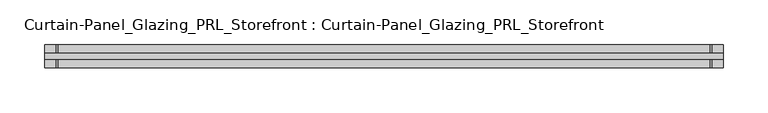
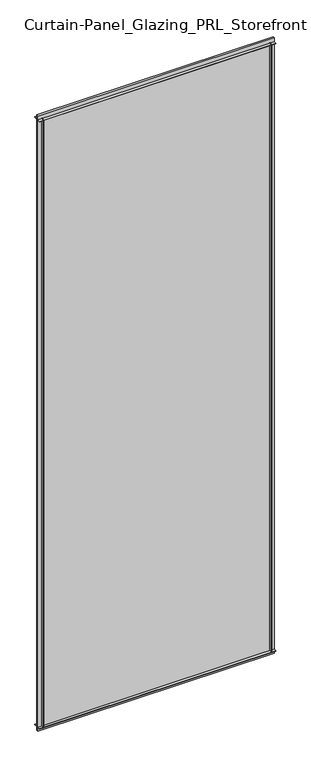
"""IFC4 building model written with IfcOpenShell, lengths in millimetres: plate geometry, Curtain-Panel_Glazing_PRL_Storefront : Curtain-Panel_Glazing_PRL_Storefront."""

from ifc_helpers import new_model, si_unit, frame, origin, origin_with_axes, place, context, project, spatial, polyline, outline, extrude, source, transform, mapped, element, save


def curtain_panel_glazing_prl_storefront_curtain_panel_glazing_ebd264bb(model_context):
    return source(origin(), model_context, "Body", "SweptSolid", [
        extrude(outline(polyline([(346.6041667, -12.7), (345.0166667, -12.7), (345.0166667, -3.175), (346.6041667, -3.175), (346.6041667, -12.7)])), frame((0.0, 0.0, 12.7), z_axis=(0.0, 0.0, 1.0), x_axis=(1.0, 0.0, 0.0)), (0.0, 0.0, 1.0), 2056.60625),
        extrude(outline(polyline([(346.6041667, 12.7), (346.6041667, 3.175), (345.0166667, 3.175), (345.0166667, 12.7), (346.6041667, 12.7)])), frame((0.0, 0.0, 12.7), z_axis=(0.0, 0.0, 1.0), x_axis=(1.0, 0.0, 0.0)), (0.0, 0.0, 1.0), 2056.60625),
        extrude(outline(polyline([(-384.7041667, -12.7), (-384.7041667, -3.175), (-383.1166667, -3.175), (-383.1166667, -12.7), (-384.7041667, -12.7)])), frame((0.0, 0.0, 12.7), z_axis=(0.0, 0.0, 1.0), x_axis=(1.0, 0.0, 0.0)), (0.0, 0.0, 1.0), 2056.60625),
        extrude(outline(polyline([(-384.7041667, 12.7), (-383.1166667, 12.7), (-383.1166667, 3.175), (-384.7041667, 3.175), (-384.7041667, 12.7)])), frame((0.0, 0.0, 12.7), z_axis=(0.0, 0.0, 1.0), x_axis=(1.0, 0.0, 0.0)), (0.0, 0.0, 1.0), 2056.60625),
        extrude(outline(polyline([(359.3041667, 3.175), (359.3041667, -3.175), (-397.4041667, -3.175), (-397.4041667, 3.175), (359.3041667, 3.175)])), origin_with_axes(), (0.0, 0.0, 1.0), 2082.00625),
        extrude(outline(polyline([(-397.4041667, -12.7), (-397.4041667, -3.175), (359.3041667, -3.175), (359.3041667, -12.7), (-397.4041667, -12.7)])), frame((0.0, 0.0, 2067.71875), z_axis=(0.0, 0.0, 1.0), x_axis=(1.0, 0.0, 0.0)), (0.0, 0.0, 1.0), 1.5875),
        extrude(outline(polyline([(-397.4041667, 12.7), (359.3041667, 12.7), (359.3041667, 3.175), (-397.4041667, 3.175), (-397.4041667, 12.7)])), frame((0.0, 0.0, 2067.71875), z_axis=(0.0, 0.0, 1.0), x_axis=(1.0, 0.0, 0.0)), (0.0, 0.0, 1.0), 1.5875),
        extrude(outline(polyline([(-397.4041667, -12.7), (-397.4041667, -3.175), (359.3041667, -3.175), (359.3041667, -12.7), (-397.4041667, -12.7)])), frame((0.0, 0.0, 12.7), z_axis=(0.0, 0.0, 1.0), x_axis=(1.0, 0.0, 0.0)), (0.0, 0.0, 1.0), 1.5875),
        extrude(outline(polyline([(-397.4041667, 12.7), (359.3041667, 12.7), (359.3041667, 3.175), (-397.4041667, 3.175), (-397.4041667, 12.7)])), frame((0.0, 0.0, 12.7), z_axis=(0.0, 0.0, 1.0), x_axis=(1.0, 0.0, 0.0)), (0.0, 0.0, 1.0), 1.5875),
    ])


if __name__ == "__main__":
    model = new_model("IFC4")
    model_context = context("Model", 3, world=origin())
    ifc_project = project(units=[si_unit("LENGTHUNIT", "METRE", prefix="MILLI")], contexts=[model_context])
    site = spatial("IfcSite", under=ifc_project)
    building = spatial("IfcBuilding", under=site)
    placement = place(None, origin())
    curtain_panel_glazing_prl_storefront_curtain_panel_glazing_shape = curtain_panel_glazing_prl_storefront_curtain_panel_glazing_ebd264bb(model_context)
    element("IfcPlate", 1, ObjectType="Curtain-Panel_Glazing_PRL_Storefront : Curtain-Panel_Glazing_PRL_Storefront", at=placement, inside=building, context=model_context, shape_type="MappedRepresentation", body=[
        mapped(curtain_panel_glazing_prl_storefront_curtain_panel_glazing_shape, transform((0.0, 0.0, 0.0), x_axis=(1.0, 0.0, 0.0), y_axis=(0.0, 1.0, 0.0), z_axis=(0.0, 0.0, 1.0))),
    ])
    save(model, "model.ifc")
